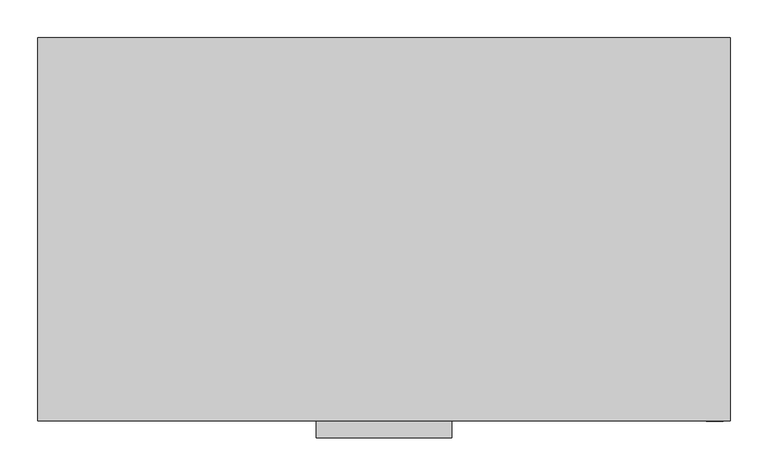
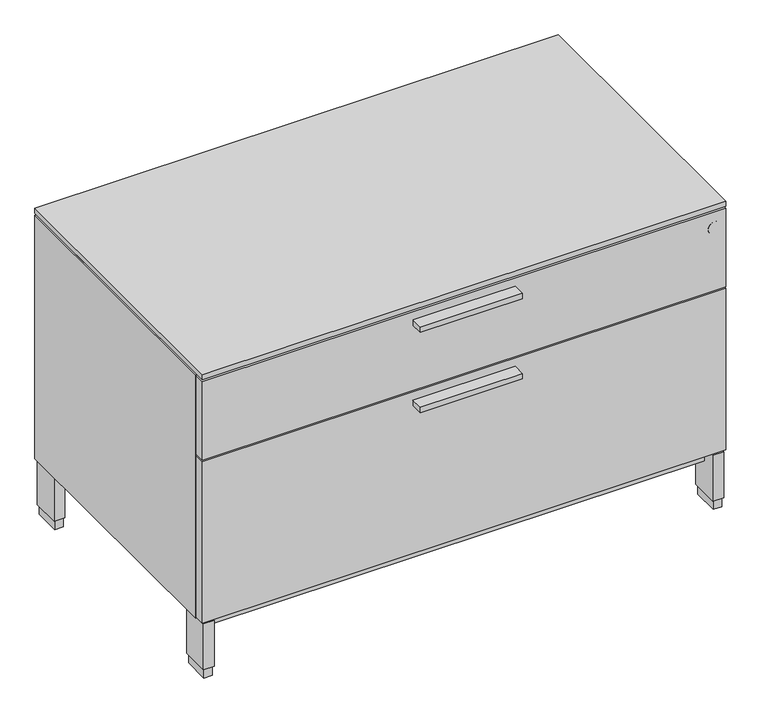
"""IFC4 building model written with IfcOpenShell, lengths in millimetres: furniture geometry."""

import ifcopenshell
import ifcopenshell.guid

model = None  # the IFC model being written
_history = None  # IfcOwnerHistory: only IFC2X3 demands one
_inside = {}  # id of a spatial element -> (the spatial element, [elements in it])
_under = {}  # id of a project, library or spatial element -> (it, [spatial elements below it])
_declared = {}  # id of a project -> (the project, [libraries it declares])
_typed = {}  # id of a type object -> (the type object, [elements of that type])
_made_of = {}  # id of a material, layer set ... -> (it, [elements and type objects made of it])


def new_model(schema):
    """Start an empty IFC model of exactly this schema.

    Asked for "IFC4X3", IfcOpenShell would pick the latest addendum, in which some entities
    have other attributes; the version numbers below select the first issue.
    IFC2X3 requires an IfcOwnerHistory on every rooted entity: one is made here for all.
    """
    global model, _history
    if schema == "IFC4X3":
        model = ifcopenshell.file(schema_version=(4, 3, 0, 0))
    else:
        model = ifcopenshell.file(schema=schema)
    _inside.clear()
    _under.clear()
    _declared.clear()
    _typed.clear()
    _made_of.clear()
    _history = None
    if model.schema == "IFC2X3":
        org = make("IfcOrganization", Name="unknown")
        user = make(
            "IfcPersonAndOrganization",
            ThePerson=make("IfcPerson", FamilyName="unknown"),
            TheOrganization=org,
        )
        app = make(
            "IfcApplication",
            ApplicationDeveloper=org,
            Version="unknown",
            ApplicationFullName="unknown",
            ApplicationIdentifier="unknown",
        )
        _history = make(
            "IfcOwnerHistory",
            OwningUser=user,
            OwningApplication=app,
            ChangeAction="ADDED",
            CreationDate=0,
        )
    return model


def make(cls, **values):
    """One entity of the class cls with the attributes given. An attribute that is None is left unset."""
    return model.create_entity(
        cls, **{name: value for name, value in values.items() if value is not None}
    )


def rooted(cls, **values):
    """An entity with a GlobalId (a new one), such as an element, a storey or a relation."""
    return make(cls, GlobalId=ifcopenshell.guid.new(), OwnerHistory=_history, **values)


def si_unit(unit_type, name, prefix=None):
    """IfcSIUnit, for example si_unit("LENGTHUNIT", "METRE", prefix="MILLI")."""
    return make("IfcSIUnit", UnitType=unit_type, Prefix=prefix, Name=name)


def assignment(units):
    """IfcUnitAssignment: the units of a project."""
    return None if units is None else make("IfcUnitAssignment", Units=units)


def point(xyz):
    """IfcCartesianPoint."""
    return None if xyz is None else make("IfcCartesianPoint", Coordinates=xyz)


def direction(xyz):
    """IfcDirection."""
    return None if xyz is None else make("IfcDirection", DirectionRatios=xyz)


def frame(location, z_axis=None, x_axis=None):
    """IfcAxis2Placement3D, a coordinate frame: its origin and axes. An axis left out is left unset."""
    return make(
        "IfcAxis2Placement3D",
        Location=point(location),
        Axis=direction(z_axis),
        RefDirection=direction(x_axis),
    )


def frame_2d(location, x_axis=None):
    """IfcAxis2Placement2D, a coordinate frame in the plane: its origin and x axis."""
    return make(
        "IfcAxis2Placement2D", Location=point(location), RefDirection=direction(x_axis)
    )


def origin():
    """The frame at (0, 0, 0) with its axes left unset."""
    return frame((0.0, 0.0, 0.0))


def origin_with_axes():
    """The frame at (0, 0, 0) with the z axis (0, 0, 1) and the x axis (1, 0, 0) written out."""
    return frame((0.0, 0.0, 0.0), z_axis=(0.0, 0.0, 1.0), x_axis=(1.0, 0.0, 0.0))


def place(relative_to, where):
    """IfcLocalPlacement: puts the frame where relative to a parent placement (None: the world)."""
    return make(
        "IfcLocalPlacement", PlacementRelTo=relative_to, RelativePlacement=where
    )


def context(
    kind, dimensions, precision=None, world=None, true_north=None, identifier=None
):
    """IfcGeometricRepresentationContext, for example the 3D "Model" context."""
    return make(
        "IfcGeometricRepresentationContext",
        ContextIdentifier=identifier,
        ContextType=kind,
        CoordinateSpaceDimension=dimensions,
        Precision=precision,
        WorldCoordinateSystem=world,
        TrueNorth=true_north,
    )


def project(units=None, contexts=None):
    """IfcProject with its units and contexts."""
    return rooted(
        "IfcProject",
        Name="project",
        RepresentationContexts=contexts,
        UnitsInContext=assignment(units),
    )


def spatial(cls, under=None, at=None, **own):
    """A site, building, storey or space (cls), placed at a placement, below another one or the project."""
    s = rooted(cls, ObjectPlacement=at, **own)
    if under is not None:
        _under.setdefault(under.id(), (under, []))[1].append(s)
    return s


def polyline(points):
    """IfcPolyline through the points."""
    return make("IfcPolyline", Points=[point(p) for p in points])


def circle_curve(where, radius):
    """IfcCircle in the frame where."""
    return make("IfcCircle", Position=where, Radius=radius)


def trimmed(basis, trim1, trim2, sense, master):
    """IfcTrimmedCurve: the piece of a basis curve between two trims."""
    return make(
        "IfcTrimmedCurve",
        BasisCurve=basis,
        Trim1=trim1,
        Trim2=trim2,
        SenseAgreement=sense,
        MasterRepresentation=master,
    )


def segment(curve, same_sense, transition):
    """IfcCompositeCurveSegment."""
    return make(
        "IfcCompositeCurveSegment",
        Transition=transition,
        SameSense=same_sense,
        ParentCurve=curve,
    )


def composite_curve(segments, self_intersect=None):
    """IfcCompositeCurve: segments joined end to end."""
    return make("IfcCompositeCurve", Segments=segments, SelfIntersect=self_intersect)


def outline(outer, holes=None, kind="AREA"):
    """IfcArbitraryClosedProfileDef: a profile drawn as a closed curve; with holes, ...WithVoids."""
    if holes is None:
        return make("IfcArbitraryClosedProfileDef", ProfileType=kind, OuterCurve=outer)
    return make(
        "IfcArbitraryProfileDefWithVoids",
        ProfileType=kind,
        OuterCurve=outer,
        InnerCurves=holes,
    )


def extrude(swept, where, along, depth):
    """IfcExtrudedAreaSolid: the profile swept, set in the frame where, extruded along a direction by depth."""
    return make(
        "IfcExtrudedAreaSolid",
        SweptArea=swept,
        Position=where,
        ExtrudedDirection=direction(along),
        Depth=depth,
    )


def faces_of(points, faces, orient=None, outer=None):
    """IfcFace entities. A face is a list of loops; a loop is a list of indices into points, from 0.

    orient and outer hold one flag for each loop. By default every Orientation is true, the
    first loop of a face is its IfcFaceOuterBound and the others are IfcFaceBound.
    """
    made = []
    for i, loops in enumerate(faces):
        bounds = []
        for j, loop in enumerate(loops):
            is_outer = j == 0 if outer is None else outer[i][j]
            bounds.append(
                make(
                    "IfcFaceOuterBound" if is_outer else "IfcFaceBound",
                    Bound=make("IfcPolyLoop", Polygon=[points[k] for k in loop]),
                    Orientation=True if orient is None else orient[i][j],
                )
            )
        made.append(make("IfcFace", Bounds=bounds))
    return made


def faceted_brep(points, faces, orient=None, outer=None, voids=None):
    """IfcFacetedBrep: a solid bounded by flat faces; with voids (closed shells), ...WithVoids."""
    shared = [point(p) for p in points]
    hull = make("IfcClosedShell", CfsFaces=faces_of(shared, faces, orient, outer))
    if voids is None:
        return make("IfcFacetedBrep", Outer=hull)
    return make(
        "IfcFacetedBrepWithVoids",
        Outer=hull,
        Voids=[
            make(cls, CfsFaces=faces_of(shared, fs, o, b)) for cls, fs, o, b in voids
        ],
    )


def shape(context_of_items, identifier, shape_type, items):
    """IfcShapeRepresentation: the items that make up one representation, for example the "Body"."""
    return make(
        "IfcShapeRepresentation",
        ContextOfItems=context_of_items,
        RepresentationIdentifier=identifier,
        RepresentationType=shape_type,
        Items=items,
    )


def source(mapping_origin, context_of_items, identifier, shape_type, items):
    """IfcRepresentationMap: a shape defined once, which mapped items show again and again."""
    return make(
        "IfcRepresentationMap",
        MappingOrigin=mapping_origin,
        MappedRepresentation=shape(context_of_items, identifier, shape_type, items),
    )


def transform(
    local_origin,
    x_axis=None,
    y_axis=None,
    z_axis=None,
    scale=None,
    scale2=None,
    scale3=None,
    uniform=True,
):
    """IfcCartesianTransformationOperator3D, or its non-uniform kind. x_axis, y_axis, z_axis: its Axis1, 2, 3."""
    if uniform:
        return make(
            "IfcCartesianTransformationOperator3D",
            Axis1=direction(x_axis),
            Axis2=direction(y_axis),
            LocalOrigin=point(local_origin),
            Scale=scale,
            Axis3=direction(z_axis),
        )
    return make(
        "IfcCartesianTransformationOperator3DnonUniform",
        Axis1=direction(x_axis),
        Axis2=direction(y_axis),
        LocalOrigin=point(local_origin),
        Scale=scale,
        Axis3=direction(z_axis),
        Scale2=scale2,
        Scale3=scale3,
    )


def mapped(mapping_source, mapping_target):
    """IfcMappedItem: shows the shape of a source again, moved by a transform."""
    return make(
        "IfcMappedItem", MappingSource=mapping_source, MappingTarget=mapping_target
    )


def made_of(thing, what):
    """Note that an element or type object is made of a material, layer set ...; save() writes the relation."""
    if what is not None:
        _made_of.setdefault(what.id(), (what, []))[1].append(thing)
    return thing


def element(
    cls,
    number,
    at=None,
    inside=None,
    cuts=None,
    type_object=None,
    material=None,
    context=None,
    identifier="Body",
    shape_type=None,
    held_by="IfcProductDefinitionShape",
    body=None,
    shapes=None,
    **own,
):
    """One element of the class cls, such as IfcWall. Its Tag is "e" and its number.

    at: its placement. inside: the storey or other place that contains it. cuts: it is an
    opening in that element (IfcRelVoidsElement). A single representation is given by context,
    identifier, shape_type and body (its items); several are given by shapes. held_by: the class
    of the entity that holds the representations. save() writes the other relations.
    """
    e = rooted(cls, Tag="e%d" % number, ObjectPlacement=at, **own)
    if body is not None:
        shapes = [shape(context, identifier, shape_type, body)]
    if shapes is not None:
        e.Representation = make(held_by, Representations=shapes)
    if inside is not None:
        _inside.setdefault(inside.id(), (inside, []))[1].append(e)
    if cuts is not None:
        rooted(
            "IfcRelVoidsElement", RelatingBuildingElement=cuts, RelatedOpeningElement=e
        )
    if type_object is not None:
        _typed.setdefault(type_object.id(), (type_object, []))[1].append(e)
    return made_of(e, material)


def aggregate(whole, parts):
    """IfcRelAggregates: a whole, such as a stair, and the parts it consists of."""
    return rooted("IfcRelAggregates", RelatingObject=whole, RelatedObjects=parts)


def save(model, path):
    """Write the relations noted so far, then the file.

    IfcRelAggregates (storeys below a building ...), IfcRelContainedInSpatialStructure (elements
    in a storey), IfcRelDefinesByType, IfcRelAssociatesMaterial and IfcRelDeclares: one each for
    every whole, place, type object, material and project.
    """
    for whole, parts in _under.values():
        aggregate(whole, parts)
    for where, things in _inside.values():
        rooted(
            "IfcRelContainedInSpatialStructure",
            RelatedElements=things,
            RelatingStructure=where,
        )
    for kind, things in _typed.values():
        rooted("IfcRelDefinesByType", RelatedObjects=things, RelatingType=kind)
    for what, things in _made_of.values():
        rooted("IfcRelAssociatesMaterial", RelatedObjects=things, RelatingMaterial=what)
    for by, libraries in _declared.values():
        rooted("IfcRelDeclares", RelatingContext=by, RelatedDefinitions=libraries)
    model.write(path)


def furniture_454d740e(model_context):
    return source(origin(), model_context, "Body", "SolidModel", [
        extrude(outline(polyline([(546.1, -528.574), (368.3, -528.574), (368.3, -506.349), (546.1, -506.349), (546.1, -528.574)])), frame((0.0, 0.0, 378.00026), z_axis=(0.0, 0.0, 1.0), x_axis=(1.0, 0.0, 0.0)), (0.0, 0.0, 1.0), 9.525),
        extrude(outline(polyline([(546.1, -528.574), (368.3, -528.574), (368.3, -506.349), (546.1, -506.349), (546.1, -528.574)])), frame((0.0, 0.0, 525.44726), z_axis=(0.0, 0.0, 1.0), x_axis=(1.0, 0.0, 0.0)), (0.0, 0.0, 1.0), 9.525),
        extrude(outline(polyline([(912.8125, -506.349), (1.5875, -506.349), (1.5875, -487.045), (912.8125, -487.045), (912.8125, -506.349)])), frame((0.0, 0.0, 405.511), z_axis=(0.0, 0.0, 1.0), x_axis=(1.0, 0.0, 0.0)), (0.0, 0.0, 1.0), 144.272),
        extrude(outline(polyline([(912.8125, -506.349), (1.5875, -506.349), (1.5875, -487.045), (912.8125, -487.045), (912.8125, -506.349)])), frame((0.0, 0.0, 105.283), z_axis=(0.0, 0.0, 1.0), x_axis=(1.0, 0.0, 0.0)), (0.0, 0.0, 1.0), 297.053),
        extrude(outline(composite_curve([segment(trimmed(circle_curve(frame_2d((521.24864, 892.98526)), 11.18616), [point((521.24864, 881.7991))], [point((521.24864, 904.17142))], False, "CARTESIAN"), True, "CONTINUOUS"), segment(trimmed(circle_curve(frame_2d((521.24864, 892.98526)), 11.18616), [point((521.24864, 904.17142))], [point((521.24864, 881.7991))], False, "CARTESIAN"), True, "CONTINUOUS")], self_intersect=False)), frame((0.0, -506.603, 0.0), z_axis=(0.0, 1.0, 0.0), x_axis=(0.0, 0.0, 1.0)), (0.0, 0.0, 1.0), 3.429),
        extrude(outline(polyline([(23.4569, -3.556), (23.4569, -54.356), (4.4069, -54.356), (4.4069, -3.556), (23.4569, -3.556)])), frame((0.0, 0.0, 17.399), z_axis=(0.0, 0.0, 1.0), x_axis=(1.0, 0.0, 0.0)), (0.0, 0.0, 1.0), 84.709),
        extrude(outline(polyline([(909.9931, -3.556), (909.9931, -54.356), (890.9431, -54.356), (890.9431, -3.556), (909.9931, -3.556)])), frame((0.0, 0.0, 17.399), z_axis=(0.0, 0.0, 1.0), x_axis=(1.0, 0.0, 0.0)), (0.0, 0.0, 1.0), 84.709),
        extrude(outline(polyline([(909.9931, -453.898), (909.9931, -504.698), (890.9431, -504.698), (890.9431, -453.898), (909.9931, -453.898)])), frame((0.0, 0.0, 17.399), z_axis=(0.0, 0.0, 1.0), x_axis=(1.0, 0.0, 0.0)), (0.0, 0.0, 1.0), 84.709),
        extrude(outline(polyline([(23.4569, -453.898), (23.4569, -504.698), (4.4069, -504.698), (4.4069, -453.898), (23.4569, -453.898)])), frame((0.0, 0.0, 17.399), z_axis=(0.0, 0.0, 1.0), x_axis=(1.0, 0.0, 0.0)), (0.0, 0.0, 1.0), 84.709),
        extrude(outline(polyline([(912.114, -487.045), (3.8735, -487.045), (3.8735, -2.3114), (912.114, -2.3114), (912.114, -487.045)])), frame((0.0, 0.0, 549.783), z_axis=(0.0, 0.0, 1.0), x_axis=(1.0, 0.0, 0.0)), (0.0, 0.0, 1.0), 1.905),
        extrude(outline(polyline([(21.2979, -5.715), (21.2979, -52.197), (6.5659, -52.197), (6.5659, -5.715), (21.2979, -5.715)])), origin_with_axes(), (0.0, 0.0, 1.0), 17.399),
        extrude(outline(polyline([(907.8341, -5.715), (907.8341, -52.197), (893.1021, -52.197), (893.1021, -5.715), (907.8341, -5.715)])), origin_with_axes(), (0.0, 0.0, 1.0), 17.399),
        extrude(outline(polyline([(907.8341, -456.057), (907.8341, -502.539), (893.1021, -502.539), (893.1021, -456.057), (907.8341, -456.057)])), origin_with_axes(), (0.0, 0.0, 1.0), 17.399),
        extrude(outline(polyline([(21.2979, -456.057), (21.2979, -502.539), (6.5659, -502.539), (6.5659, -456.057), (21.2979, -456.057)])), origin_with_axes(), (0.0, 0.0, 1.0), 17.399),
        extrude(outline(polyline([(912.8125, -506.349), (1.5875, -506.349), (1.5875, -1.524), (912.8125, -1.524), (912.8125, -506.349)])), frame((0.0, 0.0, 553.2882), z_axis=(0.0, 0.0, 1.0), x_axis=(1.0, 0.0, 0.0)), (0.0, 0.0, 1.0), 9.525),
        extrude(outline(polyline([(890.9431, -480.5537946), (23.4569, -480.5537946), (23.4569, -26.9983538), (890.9431, -26.9983538), (890.9431, -480.5537946)])), frame((0.0, 0.0, 76.708), z_axis=(0.0, 0.0, 1.0), x_axis=(1.0, 0.0, 0.0)), (0.0, 0.0, 1.0), 25.4),
        faceted_brep([(912.8125, -1.524, 549.783), (912.8125, -1.524, 102.108), (1.5875, -1.524, 102.108), (1.5875, -1.524, 549.783), (1.5875, -487.045, 549.783), (912.8125, -487.045, 549.783), (1.5875, -487.045, 102.108), (912.8125, -487.045, 102.108), (890.5875, -23.749, 532.3078), (23.8125, -23.749, 532.3078), (23.8125, -23.749, 122.7582), (890.5875, -23.749, 122.7582), (890.5875, -487.045, 532.3078), (23.8125, -487.045, 532.3078), (23.8125, -487.045, 122.7582), (890.5875, -487.045, 122.7582)], [[[0, 1, 2, 3]], [[0, 3, 4, 5]], [[3, 2, 6, 4]], [[2, 1, 7, 6]], [[1, 0, 5, 7]], [[8, 9, 10, 11]], [[9, 8, 12, 13]], [[10, 9, 13, 14]], [[11, 10, 14, 15]], [[8, 11, 15, 12]], [[5, 4, 6, 7], [13, 12, 15, 14]]]),
    ])


if __name__ == "__main__":
    model = new_model("IFC4")
    model_context = context("Model", 3, world=origin())
    ifc_project = project(units=[si_unit("LENGTHUNIT", "METRE", prefix="MILLI")], contexts=[model_context])
    site = spatial("IfcSite", under=ifc_project)
    building = spatial("IfcBuilding", under=site)
    placement = place(None, origin())
    furniture_shape = furniture_454d740e(model_context)
    element("IfcFurniture", 1, at=placement, inside=building, context=model_context, shape_type="MappedRepresentation", body=[
        mapped(furniture_shape, transform((0.0, 0.0, 0.0), x_axis=(1.0, 0.0, 0.0), y_axis=(0.0, 1.0, 0.0), z_axis=(0.0, 0.0, 1.0))),
    ])
    save(model, "model.ifc")
